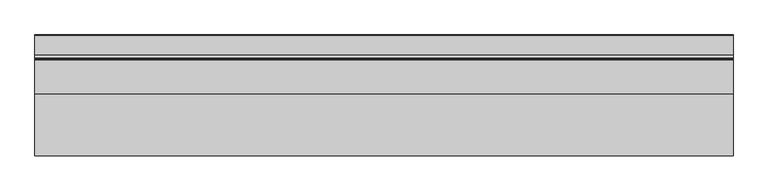
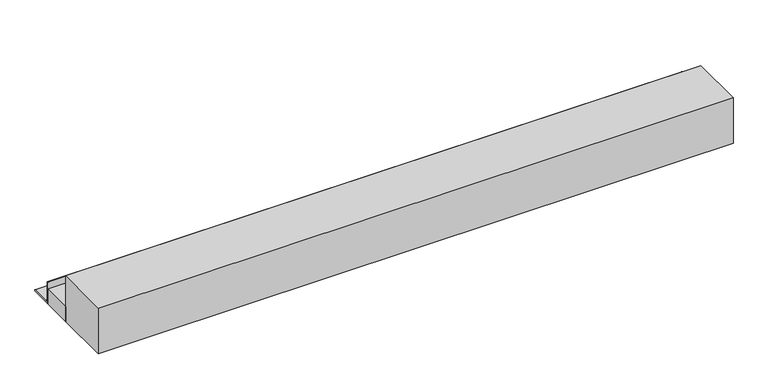
"""IFC4 building model written with IfcOpenShell, lengths in millimetres: beam geometry."""

import ifcopenshell
import ifcopenshell.guid

model = None  # the IFC model being written
_history = None  # IfcOwnerHistory: only IFC2X3 demands one
_inside = {}  # id of a spatial element -> (the spatial element, [elements in it])
_under = {}  # id of a project, library or spatial element -> (it, [spatial elements below it])
_declared = {}  # id of a project -> (the project, [libraries it declares])
_typed = {}  # id of a type object -> (the type object, [elements of that type])
_made_of = {}  # id of a material, layer set ... -> (it, [elements and type objects made of it])


def new_model(schema):
    """Start an empty IFC model of exactly this schema.

    Asked for "IFC4X3", IfcOpenShell would pick the latest addendum, in which some entities
    have other attributes; the version numbers below select the first issue.
    IFC2X3 requires an IfcOwnerHistory on every rooted entity: one is made here for all.
    """
    global model, _history
    if schema == "IFC4X3":
        model = ifcopenshell.file(schema_version=(4, 3, 0, 0))
    else:
        model = ifcopenshell.file(schema=schema)
    _inside.clear()
    _under.clear()
    _declared.clear()
    _typed.clear()
    _made_of.clear()
    _history = None
    if model.schema == "IFC2X3":
        org = make("IfcOrganization", Name="unknown")
        user = make(
            "IfcPersonAndOrganization",
            ThePerson=make("IfcPerson", FamilyName="unknown"),
            TheOrganization=org,
        )
        app = make(
            "IfcApplication",
            ApplicationDeveloper=org,
            Version="unknown",
            ApplicationFullName="unknown",
            ApplicationIdentifier="unknown",
        )
        _history = make(
            "IfcOwnerHistory",
            OwningUser=user,
            OwningApplication=app,
            ChangeAction="ADDED",
            CreationDate=0,
        )
    return model


def make(cls, **values):
    """One entity of the class cls with the attributes given. An attribute that is None is left unset."""
    return model.create_entity(
        cls, **{name: value for name, value in values.items() if value is not None}
    )


def rooted(cls, **values):
    """An entity with a GlobalId (a new one), such as an element, a storey or a relation."""
    return make(cls, GlobalId=ifcopenshell.guid.new(), OwnerHistory=_history, **values)


def si_unit(unit_type, name, prefix=None):
    """IfcSIUnit, for example si_unit("LENGTHUNIT", "METRE", prefix="MILLI")."""
    return make("IfcSIUnit", UnitType=unit_type, Prefix=prefix, Name=name)


def assignment(units):
    """IfcUnitAssignment: the units of a project."""
    return None if units is None else make("IfcUnitAssignment", Units=units)


def point(xyz):
    """IfcCartesianPoint."""
    return None if xyz is None else make("IfcCartesianPoint", Coordinates=xyz)


def direction(xyz):
    """IfcDirection."""
    return None if xyz is None else make("IfcDirection", DirectionRatios=xyz)


def frame(location, z_axis=None, x_axis=None):
    """IfcAxis2Placement3D, a coordinate frame: its origin and axes. An axis left out is left unset."""
    return make(
        "IfcAxis2Placement3D",
        Location=point(location),
        Axis=direction(z_axis),
        RefDirection=direction(x_axis),
    )


def origin():
    """The frame at (0, 0, 0) with its axes left unset."""
    return frame((0.0, 0.0, 0.0))


def place(relative_to, where):
    """IfcLocalPlacement: puts the frame where relative to a parent placement (None: the world)."""
    return make(
        "IfcLocalPlacement", PlacementRelTo=relative_to, RelativePlacement=where
    )


def context(
    kind, dimensions, precision=None, world=None, true_north=None, identifier=None
):
    """IfcGeometricRepresentationContext, for example the 3D "Model" context."""
    return make(
        "IfcGeometricRepresentationContext",
        ContextIdentifier=identifier,
        ContextType=kind,
        CoordinateSpaceDimension=dimensions,
        Precision=precision,
        WorldCoordinateSystem=world,
        TrueNorth=true_north,
    )


def project(units=None, contexts=None):
    """IfcProject with its units and contexts."""
    return rooted(
        "IfcProject",
        Name="project",
        RepresentationContexts=contexts,
        UnitsInContext=assignment(units),
    )


def spatial(cls, under=None, at=None, **own):
    """A site, building, storey or space (cls), placed at a placement, below another one or the project."""
    s = rooted(cls, ObjectPlacement=at, **own)
    if under is not None:
        _under.setdefault(under.id(), (under, []))[1].append(s)
    return s


def polyline(points):
    """IfcPolyline through the points."""
    return make("IfcPolyline", Points=[point(p) for p in points])


def circle_curve(where, radius):
    """IfcCircle in the frame where."""
    return make("IfcCircle", Position=where, Radius=radius)


def outline(outer, holes=None, kind="AREA"):
    """IfcArbitraryClosedProfileDef: a profile drawn as a closed curve; with holes, ...WithVoids."""
    if holes is None:
        return make("IfcArbitraryClosedProfileDef", ProfileType=kind, OuterCurve=outer)
    return make(
        "IfcArbitraryProfileDefWithVoids",
        ProfileType=kind,
        OuterCurve=outer,
        InnerCurves=holes,
    )


def extrude(swept, where, along, depth):
    """IfcExtrudedAreaSolid: the profile swept, set in the frame where, extruded along a direction by depth."""
    return make(
        "IfcExtrudedAreaSolid",
        SweptArea=swept,
        Position=where,
        ExtrudedDirection=direction(along),
        Depth=depth,
    )


def faces_of(points, faces, orient=None, outer=None):
    """IfcFace entities. A face is a list of loops; a loop is a list of indices into points, from 0.

    orient and outer hold one flag for each loop. By default every Orientation is true, the
    first loop of a face is its IfcFaceOuterBound and the others are IfcFaceBound.
    """
    made = []
    for i, loops in enumerate(faces):
        bounds = []
        for j, loop in enumerate(loops):
            is_outer = j == 0 if outer is None else outer[i][j]
            bounds.append(
                make(
                    "IfcFaceOuterBound" if is_outer else "IfcFaceBound",
                    Bound=make("IfcPolyLoop", Polygon=[points[k] for k in loop]),
                    Orientation=True if orient is None else orient[i][j],
                )
            )
        made.append(make("IfcFace", Bounds=bounds))
    return made


def faceted_brep(points, faces, orient=None, outer=None, voids=None):
    """IfcFacetedBrep: a solid bounded by flat faces; with voids (closed shells), ...WithVoids."""
    shared = [point(p) for p in points]
    hull = make("IfcClosedShell", CfsFaces=faces_of(shared, faces, orient, outer))
    if voids is None:
        return make("IfcFacetedBrep", Outer=hull)
    return make(
        "IfcFacetedBrepWithVoids",
        Outer=hull,
        Voids=[
            make(cls, CfsFaces=faces_of(shared, fs, o, b)) for cls, fs, o, b in voids
        ],
    )


def shape(context_of_items, identifier, shape_type, items):
    """IfcShapeRepresentation: the items that make up one representation, for example the "Body"."""
    return make(
        "IfcShapeRepresentation",
        ContextOfItems=context_of_items,
        RepresentationIdentifier=identifier,
        RepresentationType=shape_type,
        Items=items,
    )


def source(mapping_origin, context_of_items, identifier, shape_type, items):
    """IfcRepresentationMap: a shape defined once, which mapped items show again and again."""
    return make(
        "IfcRepresentationMap",
        MappingOrigin=mapping_origin,
        MappedRepresentation=shape(context_of_items, identifier, shape_type, items),
    )


def transform(
    local_origin,
    x_axis=None,
    y_axis=None,
    z_axis=None,
    scale=None,
    scale2=None,
    scale3=None,
    uniform=True,
):
    """IfcCartesianTransformationOperator3D, or its non-uniform kind. x_axis, y_axis, z_axis: its Axis1, 2, 3."""
    if uniform:
        return make(
            "IfcCartesianTransformationOperator3D",
            Axis1=direction(x_axis),
            Axis2=direction(y_axis),
            LocalOrigin=point(local_origin),
            Scale=scale,
            Axis3=direction(z_axis),
        )
    return make(
        "IfcCartesianTransformationOperator3DnonUniform",
        Axis1=direction(x_axis),
        Axis2=direction(y_axis),
        LocalOrigin=point(local_origin),
        Scale=scale,
        Axis3=direction(z_axis),
        Scale2=scale2,
        Scale3=scale3,
    )


def mapped(mapping_source, mapping_target):
    """IfcMappedItem: shows the shape of a source again, moved by a transform."""
    return make(
        "IfcMappedItem", MappingSource=mapping_source, MappingTarget=mapping_target
    )


def made_of(thing, what):
    """Note that an element or type object is made of a material, layer set ...; save() writes the relation."""
    if what is not None:
        _made_of.setdefault(what.id(), (what, []))[1].append(thing)
    return thing


def element(
    cls,
    number,
    at=None,
    inside=None,
    cuts=None,
    type_object=None,
    material=None,
    context=None,
    identifier="Body",
    shape_type=None,
    held_by="IfcProductDefinitionShape",
    body=None,
    shapes=None,
    **own,
):
    """One element of the class cls, such as IfcWall. Its Tag is "e" and its number.

    at: its placement. inside: the storey or other place that contains it. cuts: it is an
    opening in that element (IfcRelVoidsElement). A single representation is given by context,
    identifier, shape_type and body (its items); several are given by shapes. held_by: the class
    of the entity that holds the representations. save() writes the other relations.
    """
    e = rooted(cls, Tag="e%d" % number, ObjectPlacement=at, **own)
    if body is not None:
        shapes = [shape(context, identifier, shape_type, body)]
    if shapes is not None:
        e.Representation = make(held_by, Representations=shapes)
    if inside is not None:
        _inside.setdefault(inside.id(), (inside, []))[1].append(e)
    if cuts is not None:
        rooted(
            "IfcRelVoidsElement", RelatingBuildingElement=cuts, RelatedOpeningElement=e
        )
    if type_object is not None:
        _typed.setdefault(type_object.id(), (type_object, []))[1].append(e)
    return made_of(e, material)


def aggregate(whole, parts):
    """IfcRelAggregates: a whole, such as a stair, and the parts it consists of."""
    return rooted("IfcRelAggregates", RelatingObject=whole, RelatedObjects=parts)


def save(model, path):
    """Write the relations noted so far, then the file.

    IfcRelAggregates (storeys below a building ...), IfcRelContainedInSpatialStructure (elements
    in a storey), IfcRelDefinesByType, IfcRelAssociatesMaterial and IfcRelDeclares: one each for
    every whole, place, type object, material and project.
    """
    for whole, parts in _under.values():
        aggregate(whole, parts)
    for where, things in _inside.values():
        rooted(
            "IfcRelContainedInSpatialStructure",
            RelatedElements=things,
            RelatingStructure=where,
        )
    for kind, things in _typed.values():
        rooted("IfcRelDefinesByType", RelatedObjects=things, RelatingType=kind)
    for what, things in _made_of.values():
        rooted("IfcRelAssociatesMaterial", RelatedObjects=things, RelatingMaterial=what)
    for by, libraries in _declared.values():
        rooted("IfcRelDeclares", RelatingContext=by, RelatedDefinitions=libraries)
    model.write(path)


def plane_surface(at):
    """IfcPlane: the flat surface through the origin of the frame at, square to its z axis."""
    return make("IfcPlane", Position=at)


def cylinder_surface(at, radius):
    """IfcCylindricalSurface: all points at the distance radius from the z axis of the frame at."""
    return make("IfcCylindricalSurface", Position=at, Radius=radius)


def revolved_surface(curve, axis_point, axis_direction):
    """IfcSurfaceOfRevolution: the curve turned about the line through axis_point along axis_direction."""
    return make(
        "IfcSurfaceOfRevolution",
        SweptCurve=make("IfcArbitraryOpenProfileDef", ProfileType="CURVE", Curve=curve),
        AxisPosition=make("IfcAxis1Placement", Location=point(axis_point), Axis=direction(axis_direction)),
    )


def advanced_brep(points, edges, surfaces, faces):
    """IfcAdvancedBrep: a solid bounded by faces that lie on surfaces and meet in shared edges.

    An edge is (start, end): straight between two places in points (the first is 0);
    or (start, end, curve); or (start, end, curve, False) where it runs against its curve.
    A face is (place in surfaces, loops), or (place, loops, False) where it looks against
    its surface's normal. A loop lists edges by number (the first is 1), with a minus sign
    where the edge is run from its end to its start. The first loop is the outer one.
    """
    corners = [point(p) for p in points]
    vertices = [make("IfcVertexPoint", VertexGeometry=c) for c in corners]
    made = []
    for start, end, *more in edges:
        made.append(
            make(
                "IfcEdgeCurve",
                EdgeStart=vertices[start],
                EdgeEnd=vertices[end],
                EdgeGeometry=more[0] if more else make("IfcPolyline", Points=[corners[start], corners[end]]),
                SameSense=more[1] if len(more) > 1 else True,
            )
        )
    hull = []
    for where, loops, *sense in faces:
        bounds = []
        for j, loop in enumerate(loops):
            ring = [make("IfcOrientedEdge", EdgeElement=made[abs(k) - 1], Orientation=k > 0) for k in loop]
            bounds.append(
                make(
                    "IfcFaceOuterBound" if j == 0 else "IfcFaceBound",
                    Bound=make("IfcEdgeLoop", EdgeList=ring),
                    Orientation=True,
                )
            )
        hull.append(make("IfcAdvancedFace", Bounds=bounds, FaceSurface=surfaces[where], SameSense=sense[0] if sense else True))
    return make("IfcAdvancedBrep", Outer=make("IfcClosedShell", CfsFaces=hull))


def beam_368789d4(model_context):
    return source(origin(), model_context, "Body", "SolidModel", [
        advanced_brep(
        [(395.814718, 5290.0, 6000.0), (395.814718, 5190.0, 6000.0), (395.814718, 5190.0, 6068.9909984), (395.814718, 5190.0, 6100.0), (395.814718, 5192.211754, 6100.0), (395.814718, 5195.0, 6097.211754), (395.814718, 5195.0, 6018.0410426), (395.814718, 5208.0410426, 6005.0), (395.814718, 5287.4745866, 6005.0), (395.814718, 5290.0, 6002.4745866), (3229.185282, 5290.0, 6000.0), (3229.185282, 5290.0, 6002.4745866), (3229.185282, 5287.4745866, 6005.0), (3229.185282, 5208.0410426, 6005.0), (3229.185282, 5195.0, 6018.0410426), (3229.185282, 5195.0, 6097.211754), (3229.185282, 5192.211754, 6100.0), (3229.185282, 5190.0, 6100.0), (3229.185282, 5190.0, 6068.9909984), (3229.185282, 5190.0, 6000.0), (637.5, 5290.0, 6000.0), (2987.5, 5290.0, 6000.0)],
        [
            (0, 1),
            (1, 2),
            (2, 3),
            (3, 4),
            (4, 5, circle_curve(frame((395.814718, 5192.211754, 6097.211754), z_axis=(-1.0, 0.0, 0.0), x_axis=(0.0, -1.0, 0.0)), 2.788246)),
            (5, 6),
            (6, 7, circle_curve(frame((395.814718, 5208.0410426, 6018.0410426), z_axis=(1.0, 0.0, 0.0), x_axis=(0.0, -1.0, 0.0)), 13.0410426)),
            (7, 8),
            (8, 9, circle_curve(frame((395.814718, 5287.4745866, 6002.4745866), z_axis=(-1.0, 0.0, 0.0), x_axis=(0.0, -1.0, 0.0)), 2.5254134)),
            (9, 0),
            (10, 11),
            (11, 12, circle_curve(frame((3229.185282, 5287.4745866, 6002.4745866), z_axis=(1.0, 0.0, 0.0), x_axis=(0.0, -1.0, 0.0)), 2.5254134)),
            (12, 13),
            (13, 14, circle_curve(frame((3229.185282, 5208.0410426, 6018.0410426), z_axis=(-1.0, 0.0, 0.0), x_axis=(0.0, -1.0, 0.0)), 13.0410426)),
            (14, 15),
            (15, 16, circle_curve(frame((3229.185282, 5192.211754, 6097.211754), z_axis=(1.0, 0.0, 0.0), x_axis=(0.0, -1.0, 0.0)), 2.788246)),
            (16, 17),
            (17, 18),
            (18, 19),
            (19, 10),
            (0, 20),
            (20, 21),
            (21, 10),
            (19, 1),
            (17, 3),
            (16, 4),
            (9, 11),
            (15, 5),
            (14, 6),
            (13, 7),
            (12, 8),
        ],
        [
            plane_surface(frame((395.814718, 5440.0, 6000.0), z_axis=(-1.0, 0.0, 0.0), x_axis=(0.0, -1.0, 0.0))),
            plane_surface(frame((3229.185282, 5440.0, 6000.0), z_axis=(1.0, 0.0, 0.0), x_axis=(0.0, 1.0, 0.0))),
            plane_surface(frame((395.814718, 5290.0, 6000.0), z_axis=(0.0, 0.0, -1.0), x_axis=(1.0, 0.0, 0.0))),
            plane_surface(frame((395.814718, 5190.0, 6000.0), z_axis=(0.0, -1.0, 0.0), x_axis=(1.0, 0.0, 0.0))),
            plane_surface(frame((395.814718, 5190.0, 6100.0), z_axis=(0.0, 0.0, 1.0), x_axis=(1.0, 0.0, 0.0))),
            plane_surface(frame((395.814718, 5290.0, 6002.4745866), z_axis=(0.0, 1.0, 0.0), x_axis=(1.0, 0.0, 0.0))),
            cylinder_surface(frame((3229.185282, 5192.211754, 6097.211754), z_axis=(-1.0, 0.0, 0.0), x_axis=(0.0, -1.0, 0.0)), 2.788246),
            plane_surface(frame((395.814718, 5195.0, 6097.211754), z_axis=(0.0, 1.0, 0.0), x_axis=(1.0, 0.0, 0.0))),
            revolved_surface(polyline([(3229.185282, 5195.0, 6018.0410426), (395.8147180000001, 5195.0, 6018.0410426)]), (3229.185282, 5208.0410426, 6018.0410426), (1.0, 0.0, 0.0)),
            plane_surface(frame((395.814718, 5208.0410426, 6005.0), z_axis=(0.0, 0.0, 1.0), x_axis=(1.0, 0.0, 0.0))),
            cylinder_surface(frame((3229.185282, 5287.4745866, 6002.4745866), z_axis=(-1.0, 0.0, 0.0), x_axis=(0.0, -1.0, 0.0)), 2.5254134),
        ],
        [
            (0, [[1, 2, 3, 4, 5, 6, 7, 8, 9, 10]]),
            (1, [[11, 12, 13, 14, 15, 16, 17, 18, 19, 20]]),
            (2, [[-1, 21, 22, 23, -20, 24]]),
            (3, [[-3, -2, -24, -19, -18, 25]]),
            (4, [[-4, -25, -17, 26]]),
            (5, [[-10, 27, -11, -23, -22, -21]]),
            (6, [[-5, -26, -16, 28]]),
            (7, [[-6, -28, -15, 29]]),
            (8, [[-7, -29, -14, 30]]),
            (9, [[-8, -30, -13, 31]]),
            (10, [[-9, -31, -12, -27]]),
        ],
    ),
        extrude(outline(polyline([(395.814718, 5050.0), (395.814718, 5190.0), (3229.185282, 5190.0), (3229.185282, 5050.0), (395.814718, 5050.0)])), frame((0.0, 0.0, 6000.0), z_axis=(0.0, 0.0, 1.0), x_axis=(1.0, 0.0, 0.0)), (0.0, 0.0, 1.0), 68.9909984),
        faceted_brep([(395.814718, 5050.0, 6000.0), (395.814718, 4800.0, 6000.0), (395.814718, 4800.0, 6215.0), (395.814718, 5050.0, 6215.0), (395.814718, 5050.0, 6068.9909984), (3229.185282, 5050.0, 6000.0), (3229.185282, 5050.0, 6068.9909984), (3229.185282, 5050.0, 6215.0), (3229.185282, 4800.0, 6215.0), (3229.185282, 4800.0, 6000.0), (2987.5, 4800.0, 6000.0), (637.5, 4800.0, 6000.0)], [[[0, 1, 2, 3, 4]], [[5, 6, 7, 8, 9]], [[1, 0, 5, 9, 10, 11]], [[2, 1, 11, 10, 9, 8]], [[3, 2, 8, 7]], [[0, 4, 3, 7, 6, 5]]]),
    ])


if __name__ == "__main__":
    model = new_model("IFC4")
    model_context = context("Model", 3, world=origin())
    ifc_project = project(units=[si_unit("LENGTHUNIT", "METRE", prefix="MILLI")], contexts=[model_context])
    site = spatial("IfcSite", under=ifc_project)
    building = spatial("IfcBuilding", under=site)
    placement = place(None, origin())
    beam_shape = beam_368789d4(model_context)
    element("IfcBeam", 1, at=placement, inside=building, context=model_context, shape_type="MappedRepresentation", body=[
        mapped(beam_shape, transform((0.0, 0.0, 0.0), x_axis=(1.0, 0.0, 0.0), y_axis=(0.0, 1.0, 0.0), z_axis=(0.0, 0.0, 1.0))),
    ])
    save(model, "model.ifc")
